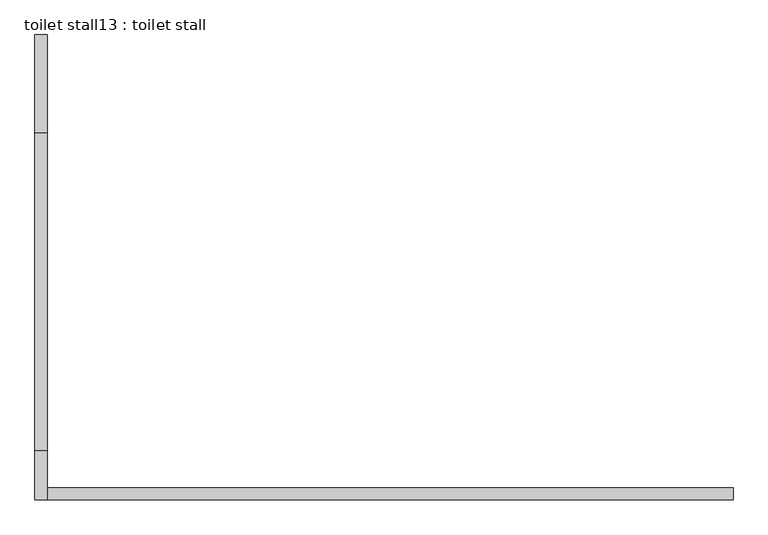
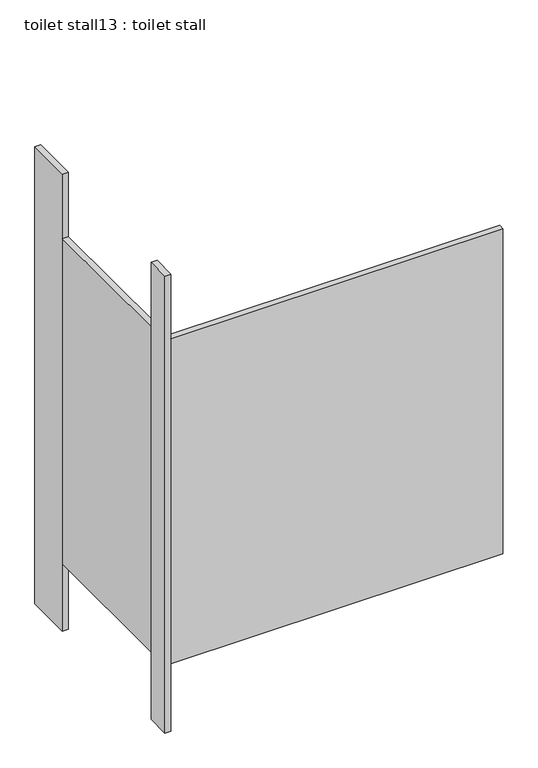
"""IFC4 building model written with IfcOpenShell, lengths in millimetres: proxy geometry, toilet stall13 : toilet stall."""

from ifc_helpers import new_model, si_unit, frame, origin, origin_with_axes, place, context, project, spatial, polyline, outline, extrude, source, transform, mapped, element, save


def toilet_stall13_toilet_stall_7b2a6410(model_context):
    return source(origin(), model_context, "Body", "SweptSolid", [
        extrude(outline(polyline([(454658.2004676, -277276.6988632), (454632.8004676, -277276.6988632), (454632.8004676, -277073.4988632), (454658.2004676, -277073.4988632), (454658.2004676, -277276.6988632)])), origin_with_axes(), (0.0, 0.0, 1.0), 2070.1),
        extrude(outline(polyline([(454658.2004676, -278038.6988632), (454632.8004676, -278038.6988632), (454632.8004676, -277937.0988632), (454658.2004676, -277937.0988632), (454658.2004676, -278038.6988632)])), origin_with_axes(), (0.0, 0.0, 1.0), 2070.1),
        extrude(outline(polyline([(454658.2004676, -278038.6988632), (454658.2004676, -278013.2988632), (456080.6004676, -278013.2988632), (456080.6004676, -278038.6988632), (454658.2004676, -278038.6988632)])), frame((0.0, 0.0, 304.8), z_axis=(0.0, 0.0, 1.0), x_axis=(1.0, 0.0, 0.0)), (0.0, 0.0, 1.0), 1473.2),
        extrude(outline(polyline([(454658.2004676, -277937.0988632), (454632.8004676, -277937.0988632), (454632.8004676, -277276.6988632), (454658.2004676, -277276.6988632), (454658.2004676, -277937.0988632)])), frame((0.0, 0.0, 304.8), z_axis=(0.0, 0.0, 1.0), x_axis=(1.0, 0.0, 0.0)), (0.0, 0.0, 1.0), 1473.2),
    ])


if __name__ == "__main__":
    model = new_model("IFC4")
    model_context = context("Model", 3, world=origin())
    ifc_project = project(units=[si_unit("LENGTHUNIT", "METRE", prefix="MILLI")], contexts=[model_context])
    site = spatial("IfcSite", under=ifc_project)
    building = spatial("IfcBuilding", under=site)
    placement = place(None, origin())
    toilet_stall13_toilet_stall_shape = toilet_stall13_toilet_stall_7b2a6410(model_context)
    element("IfcBuildingElementProxy", 1, Name="toilet stall13 : toilet stall", ObjectType="toilet stall13 : toilet stall", at=placement, inside=building, context=model_context, shape_type="MappedRepresentation", body=[
        mapped(toilet_stall13_toilet_stall_shape, transform((0.0, 0.0, 0.0), x_axis=(1.0, 0.0, 0.0), y_axis=(0.0, 1.0, 0.0), z_axis=(0.0, 0.0, 1.0))),
    ])
    save(model, "model.ifc")
